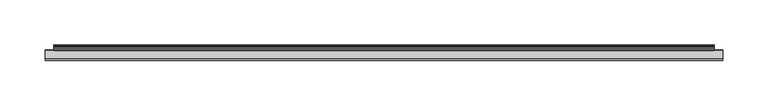
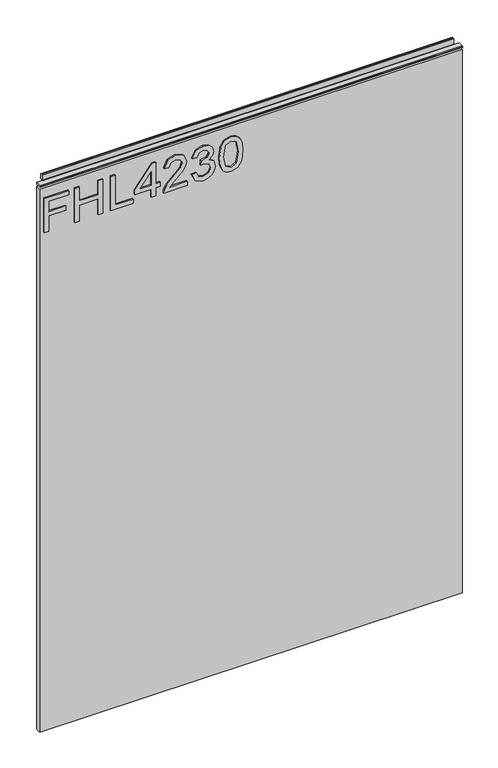
"""IFC4 building model written with IfcOpenShell, lengths in millimetres: furniture geometry."""

from ifc_helpers import new_model, si_unit, frame, origin, place, context, project, spatial, polyline, outline, extrude, source, transform, mapped, element, save


def furniture_64df3477(model_context):
    return source(origin(), model_context, "Body", "SweptSolid", [
        extrude(outline(polyline([(951.4078, -291.2107253), (951.4078, -283.2370057), (980.3125336, -283.2370057), (980.3125336, -253.3355571), (988.2862532, -253.3355571), (988.2862532, -283.2370057), (1007.2238373, -283.2370057), (1007.2238373, -248.3519823), (1015.1975569, -248.3519823), (1015.1975569, -291.2107253), (951.4078, -291.2107253)])), frame((0.0, -5.4842478, 0.0), z_axis=(0.0, 1.0, 0.0), x_axis=(0.0, 0.0, 1.0)), (0.0, 0.0, 1.0), 2.38125),
        extrude(outline(polyline([(951.4078, -237.3881179), (951.4078, -229.4143982), (981.3092486, -229.4143982), (981.3092486, -195.5260899), (951.4078, -195.5260899), (951.4078, -187.5523702), (1015.1975569, -187.5523702), (1015.1975569, -195.5260899), (989.2829682, -195.5260899), (989.2829682, -229.4143982), (1015.1975569, -229.4143982), (1015.1975569, -237.3881179), (951.4078, -237.3881179)])), frame((0.0, -5.4842478, 0.0), z_axis=(0.0, 1.0, 0.0), x_axis=(0.0, 0.0, 1.0)), (0.0, 0.0, 1.0), 2.38125),
        extrude(outline(polyline([(951.4078, -173.5983609), (951.4078, -133.7297628), (959.3815196, -133.7297628), (959.3815196, -165.6246413), (1015.1975569, -165.6246413), (1015.1975569, -173.5983609), (951.4078, -173.5983609)])), frame((0.0, -5.4842478, 0.0), z_axis=(0.0, 1.0, 0.0), x_axis=(0.0, 0.0, 1.0)), (0.0, 0.0, 1.0), 2.38125),
        extrude(outline(polyline([(951.4078, -101.8348843), (951.4078, -93.8611647), (966.3585243, -93.8611647), (966.3585243, -85.8874451), (974.3322439, -85.8874451), (974.3322439, -93.8611647), (1014.200842, -93.8611647), (1014.200842, -99.8414544), (974.3322439, -130.739618), (966.3585243, -130.739618), (966.3585243, -101.8348843), (951.4078, -101.8348843)]), holes=[polyline([(974.3322439, -101.8348843), (974.3322439, -120.9282051), (998.9697916, -101.8348843), (974.3322439, -101.8348843)])]), frame((0.0, -5.4842478, 0.0), z_axis=(0.0, 1.0, 0.0), x_axis=(0.0, 0.0, 1.0)), (0.0, 0.0, 1.0), 2.38125),
        extrude(outline(polyline([(959.3815196, -38.0451274), (959.3815196, -69.36378), (963.4384609, -65.766262), (971.108494, -56.5933697), (982.0334243, -45.1700819), (989.8514072, -40.4590464), (997.4124245, -39.0418423), (1010.0893928, -44.2979564), (1015.1975569, -58.5712259), (1010.603324, -72.7977745), (997.2566878, -78.9104404), (996.2599729, -70.9367208), (1004.3115608, -67.5805947), (1007.2238373, -58.7425363), (1004.2414793, -50.2626724), (996.9296407, -47.015562), (987.8969115, -50.4573433), (974.61257, -64.2244686), (965.3695962, -74.2071918), (956.9053059, -79.0506035), (951.4078, -79.9071554), (951.4078, -38.0451274), (959.3815196, -38.0451274)])), frame((0.0, -5.4842478, 0.0), z_axis=(0.0, 1.0, 0.0), x_axis=(0.0, 0.0, 1.0)), (0.0, 0.0, 1.0), 2.38125),
        extrude(outline(polyline([(968.3519542, -30.0714078), (955.4102335, -23.7329236), (950.411085, -9.747767), (951.8750101, -1.2250754), (956.2667854, 5.6857411), (962.7610063, 10.2644004), (970.5322681, 11.7906202), (980.9043331, 8.7381807), (986.355118, 0.0480722), (991.6345925, 6.5890141), (998.9853653, 8.8004754), (1007.0291664, 6.4722115), (1013.0094562, -0.2556144), (1015.1975569, -9.8723563), (1010.7590607, -22.5493246), (998.2534028, -29.0746928), (997.2566878, -21.1009732), (1004.7320499, -17.1919818), (1007.2238373, -9.5920302), (1004.7554105, -2.0855208), (998.5181552, 0.8267557), (991.4788558, -3.1912514), (989.2829682, -13.5165954), (981.3092486, -14.4042946), (982.1813742, -8.8133467), (978.91869, 0.2505299), (970.6724312, 3.8169006), (961.920028, 0.2193826), (958.3848047, -9.4674409), (960.9544604, -17.6981261), (969.3486691, -22.0976882), (968.3519542, -30.0714078)])), frame((0.0, -5.4842478, 0.0), z_axis=(0.0, 1.0, 0.0), x_axis=(0.0, 0.0, 1.0)), (0.0, 0.0, 1.0), 2.38125),
        extrude(outline(polyline([(982.7887473, 18.7676249), (967.2734775, 20.3561393), (956.4848168, 25.1216827), (951.929518, 31.4134458), (950.411085, 39.6986389), (953.9073742, 51.3711054), (964.5130443, 58.3091759), (982.7887473, 60.6296529), (997.7784058, 59.1813015), (1007.2160505, 55.4436204), (1013.1418324, 49.0116942), (1015.1975569, 39.6986389), (1011.7246283, 28.0728934), (1001.1423188, 21.1114624), (982.7887473, 18.7676249)]), holes=[polyline([(982.804321, 26.7413445), (1002.9566514, 30.6036149), (1007.2238373, 39.6051969), (1002.3804256, 49.0428416), (982.804321, 52.6559333), (963.0179718, 48.9182522), (958.3848047, 39.6986389), (963.0023982, 30.4790256), (982.804321, 26.7413445)])]), frame((0.0, -5.4842478, 0.0), z_axis=(0.0, 1.0, 0.0), x_axis=(0.0, 0.0, 1.0)), (0.0, 0.0, 1.0), 2.38125),
        extrude(outline(polyline([(5.5562561, 1041.4), (6.3500061, 1041.4), (6.3500061, 1051.27425), (7.1437561, 1052.068), (8.6677569, 1052.068), (10.0084363, 1051.6506926), (10.875413, 1050.5461816), (10.9623604, 1049.1447591), (10.2390011, 1046.1863459), (10.4046103, 1044.9833307), (11.6746103, 1042.7836103), (10.7786383, 1042.2663244), (7.1437561, 1042.2663244), (7.1437561, 1041.4), (6.3500061, 1041.1669239), (6.3500061, 1033.9578), (5.5562561, 1033.9578), (5.5562561, 1041.4)])), frame((-288.671, 0.0, 0.0), z_axis=(1.0, 0.0, 0.0), x_axis=(0.0, 1.0, 0.0)), (0.0, 0.0, 1.0), 729.742),
        extrude(outline(polyline([(5.5562561, 1041.4), (5.5562561, 1038.2249996), (-3.975094, 1038.2249996), (-5.3492339, 1039.0183657), (-5.3492339, 1040.6066395), (-3.9751037, 1041.4), (5.5562561, 1041.4)])), frame((-298.196, 0.0, 0.0), z_axis=(1.0, 0.0, 0.0), x_axis=(0.0, 1.0, 0.0)), (0.0, 0.0, 1.0), 748.792),
        extrude(outline(polyline([(450.596, 6.3500061), (450.596, -3.1749939), (-298.196, -3.1749939), (-298.196, 6.3500061), (450.596, 6.3500061)])), frame((0.0, 0.0, 15.79626), z_axis=(0.0, 0.0, 1.0), x_axis=(1.0, 0.0, 0.0)), (0.0, 0.0, 1.0), 1018.16154),
    ])


if __name__ == "__main__":
    model = new_model("IFC4")
    model_context = context("Model", 3, world=origin())
    ifc_project = project(units=[si_unit("LENGTHUNIT", "METRE", prefix="MILLI")], contexts=[model_context])
    site = spatial("IfcSite", under=ifc_project)
    building = spatial("IfcBuilding", under=site)
    placement = place(None, origin())
    furniture_shape = furniture_64df3477(model_context)
    element("IfcFurniture", 1, at=placement, inside=building, context=model_context, shape_type="MappedRepresentation", body=[
        mapped(furniture_shape, transform((0.0, 0.0, 0.0), x_axis=(1.0, 0.0, 0.0), y_axis=(0.0, 1.0, 0.0), z_axis=(0.0, 0.0, 1.0))),
    ])
    save(model, "model.ifc")
